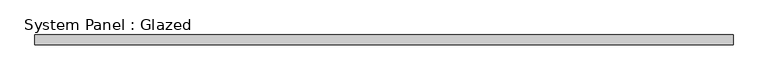
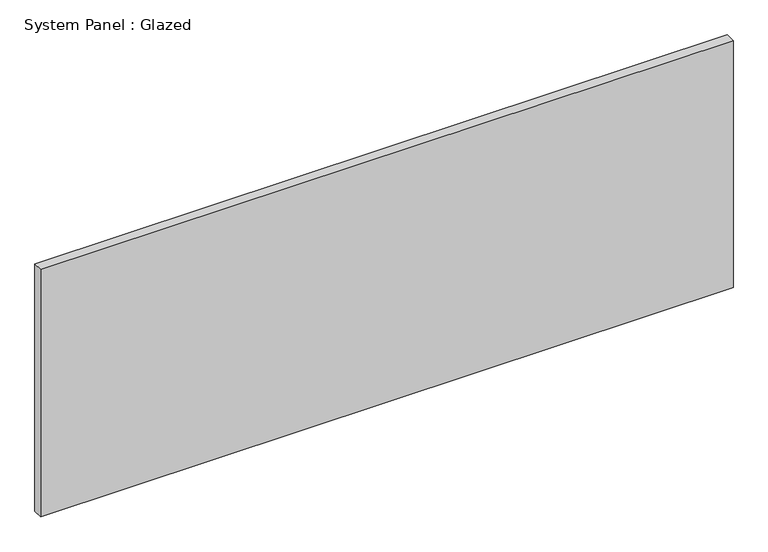
"""IFC4 building model written with IfcOpenShell, lengths in millimetres: plate geometry, System Panel : Glazed."""

from ifc_helpers import new_model, si_unit, origin, origin_with_axes, place, context, project, spatial, polyline, outline, extrude, source, transform, mapped, element, save


def system_panel_glazed_0126f21e(model_context):
    return source(origin(), model_context, "Body", "SweptSolid", [
        extrude(outline(polyline([(882.65, -44.45), (-882.65, -44.45), (-882.65, -19.05), (882.65, -19.05), (882.65, -44.45)])), origin_with_axes(), (0.0, 0.0, 1.0), 666.75),
    ])


if __name__ == "__main__":
    model = new_model("IFC4")
    model_context = context("Model", 3, world=origin())
    ifc_project = project(units=[si_unit("LENGTHUNIT", "METRE", prefix="MILLI")], contexts=[model_context])
    site = spatial("IfcSite", under=ifc_project)
    building = spatial("IfcBuilding", under=site)
    placement = place(None, origin())
    system_panel_glazed_shape = system_panel_glazed_0126f21e(model_context)
    element("IfcPlate", 1, ObjectType="System Panel : Glazed", at=placement, inside=building, context=model_context, shape_type="MappedRepresentation", body=[
        mapped(system_panel_glazed_shape, transform((0.0, 0.0, 0.0), x_axis=(1.0, 0.0, 0.0), y_axis=(0.0, 1.0, 0.0), z_axis=(0.0, 0.0, 1.0))),
    ])
    save(model, "model.ifc")
